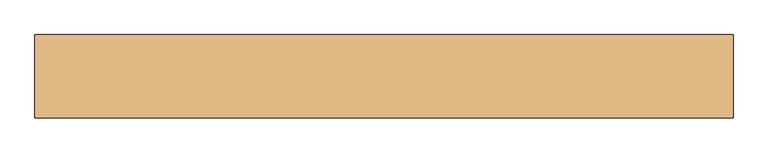
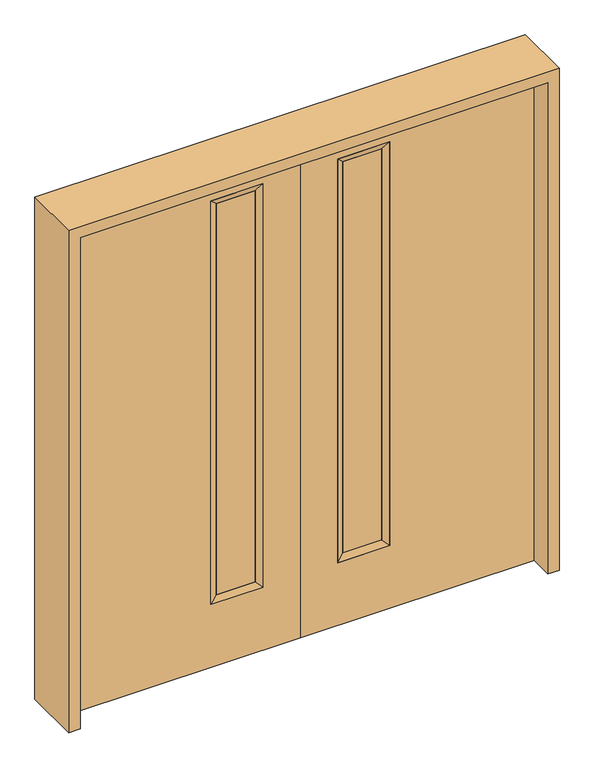
"""IFC4 building model written with IfcOpenShell, lengths in millimetres: door geometry."""

from ifc_helpers import new_model, si_unit, frame, origin, place, context, project, spatial, polyline, outline, extrude, faceted_brep, source, transform, mapped, element, save


def door_25d0681f(model_context):
    return source(origin(), model_context, "Body", "SolidModel", [
        faceted_brep([(-349.25, 22.225, 1930.4), (-349.25, 22.225, 260.35), (-349.25, -22.225, 260.35), (-349.25, -22.225, 1930.4), (-323.85, -12.7039749, 285.75), (-323.85, -12.7039749, 1905.0), (-146.05, 22.225, 260.35), (-146.05, -22.225, 260.35), (-323.85, 14.2875, 1905.0), (-323.85, 14.2875, 285.75), (-171.45, -12.7039749, 285.75), (-171.45, 14.2875, 285.75), (-146.05, 22.225, 1930.4), (-146.05, -22.225, 1930.4), (-171.45, -12.7039749, 1905.0), (-171.45, 14.2875, 1905.0)], [[[0, 1, 2, 3]], [[3, 2, 4, 5]], [[1, 6, 7, 2]], [[8, 9, 1, 0]], [[5, 4, 9, 8]], [[4, 10, 11, 9]], [[2, 7, 10, 4]], [[6, 12, 13, 7]], [[9, 11, 6, 1]], [[10, 14, 15, 11]], [[7, 13, 14, 10]], [[11, 15, 12, 6]], [[12, 0, 3, 13]], [[14, 5, 8, 15]], [[13, 3, 5, 14]], [[15, 8, 0, 12]]]),
        extrude(outline(polyline([(2032.0, 0.0), (2032.0, -914.4), (0.0, -914.4), (0.0, 0.0), (2032.0, 0.0)]), holes=[polyline([(1930.4, -349.25), (1930.4, -146.05), (260.35, -146.05), (260.35, -349.25), (1930.4, -349.25)])]), frame((0.0, -22.225, 0.0), z_axis=(0.0, 1.0, 0.0), x_axis=(0.0, 0.0, 1.0)), (0.0, 0.0, 1.0), 44.45),
        extrude(outline(polyline([(-323.85, -12.7039749), (-323.85, 14.2875), (-171.45, 14.2875), (-171.45, -12.7039749), (-323.85, -12.7039749)])), frame((0.0, 0.0, 285.75), z_axis=(0.0, 0.0, 1.0), x_axis=(1.0, 0.0, 0.0)), (0.0, 0.0, 1.0), 1619.25),
        faceted_brep([(349.25, 22.225, 1930.4), (349.25, -22.225, 1930.4), (349.25, -22.225, 260.35), (349.25, 22.225, 260.35), (323.85, -12.7039749, 1905.0), (323.85, -12.7039749, 285.75), (146.05, -22.225, 260.35), (146.05, 22.225, 260.35), (323.85, 14.2875, 1905.0), (323.85, 14.2875, 285.75), (171.45, 14.2875, 285.75), (171.45, -12.7039749, 285.75), (146.05, -22.225, 1930.4), (146.05, 22.225, 1930.4), (171.45, 14.2875, 1905.0), (171.45, -12.7039749, 1905.0)], [[[0, 1, 2, 3]], [[1, 4, 5, 2]], [[3, 2, 6, 7]], [[8, 0, 3, 9]], [[4, 8, 9, 5]], [[5, 9, 10, 11]], [[2, 5, 11, 6]], [[7, 6, 12, 13]], [[9, 3, 7, 10]], [[11, 10, 14, 15]], [[6, 11, 15, 12]], [[10, 7, 13, 14]], [[13, 12, 1, 0]], [[15, 14, 8, 4]], [[12, 15, 4, 1]], [[14, 13, 0, 8]]]),
        extrude(outline(polyline([(2032.0, 0.0), (0.0, 0.0), (0.0, 914.4), (2032.0, 914.4), (2032.0, 0.0)]), holes=[polyline([(1930.4, 349.25), (260.35, 349.25), (260.35, 146.05), (1930.4, 146.05), (1930.4, 349.25)])]), frame((0.0, -22.225, 0.0), z_axis=(0.0, 1.0, 0.0), x_axis=(0.0, 0.0, 1.0)), (0.0, 0.0, 1.0), 44.45),
        extrude(outline(polyline([(323.85, -12.7039749), (171.45, -12.7039749), (171.45, 14.2875), (323.85, 14.2875), (323.85, -12.7039749)])), frame((0.0, 0.0, 285.75), z_axis=(0.0, 0.0, 1.0), x_axis=(1.0, 0.0, 0.0)), (0.0, 0.0, 1.0), 1619.25),
        extrude(outline(polyline([(0.0, 914.4), (0.0, 958.85), (2076.45, 958.85), (2076.45, -958.85), (0.0, -958.85), (0.0, -914.4), (2032.0, -914.4), (2032.0, 914.4), (0.0, 914.4)])), frame((0.0, -114.3, 0.0), z_axis=(0.0, 1.0, 0.0), x_axis=(0.0, 0.0, 1.0)), (0.0, 0.0, 1.0), 228.6),
    ])


if __name__ == "__main__":
    model = new_model("IFC4")
    model_context = context("Model", 3, world=origin())
    ifc_project = project(units=[si_unit("LENGTHUNIT", "METRE", prefix="MILLI")], contexts=[model_context])
    site = spatial("IfcSite", under=ifc_project)
    building = spatial("IfcBuilding", under=site)
    placement = place(None, origin())
    door_shape = door_25d0681f(model_context)
    element("IfcDoor", 1, at=placement, inside=building, context=model_context, shape_type="MappedRepresentation", body=[
        mapped(door_shape, transform((0.0, 0.0, 0.0), x_axis=(1.0, 0.0, 0.0), y_axis=(0.0, 1.0, 0.0), z_axis=(0.0, 0.0, 1.0))),
    ])
    save(model, "model.ifc")
